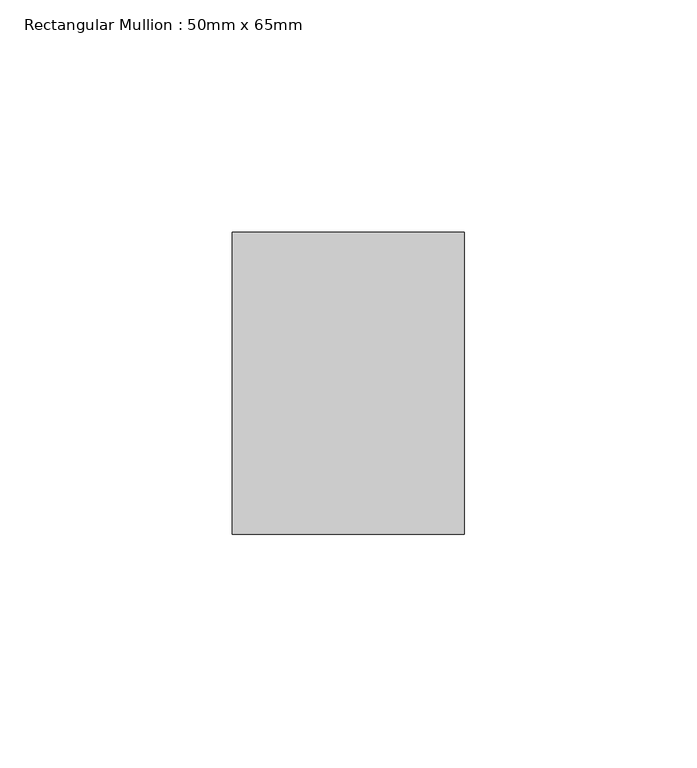
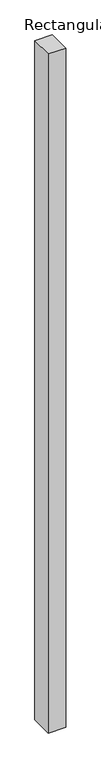
"""IFC4 building model written with IfcOpenShell, lengths in millimetres: member geometry, Rectangular Mullion : 50mm x 65mm."""

from ifc_helpers import new_model, si_unit, frame, origin, place, context, project, spatial, polyline, outline, extrude, source, transform, mapped, element, save


def rectangular_mullion_50mm_x_65mm_1f993fe9(model_context):
    return source(origin(), model_context, "Body", "SweptSolid", [
        extrude(outline(polyline([(25.0, 32.5), (25.0, -32.5), (-25.0, -32.5), (-25.0, 32.5), (25.0, 32.5)])), frame((0.0, 0.0, -2042.0389958), z_axis=(0.0, 0.0, 1.0), x_axis=(1.0, 0.0, 0.0)), (0.0, 0.0, 1.0), 2042.0389958),
    ])


if __name__ == "__main__":
    model = new_model("IFC4")
    model_context = context("Model", 3, world=origin())
    ifc_project = project(units=[si_unit("LENGTHUNIT", "METRE", prefix="MILLI")], contexts=[model_context])
    site = spatial("IfcSite", under=ifc_project)
    building = spatial("IfcBuilding", under=site)
    placement = place(None, origin())
    rectangular_mullion_50mm_x_65mm_shape = rectangular_mullion_50mm_x_65mm_1f993fe9(model_context)
    element("IfcMember", 1, ObjectType="Rectangular Mullion : 50mm x 65mm", at=placement, inside=building, context=model_context, shape_type="MappedRepresentation", body=[
        mapped(rectangular_mullion_50mm_x_65mm_shape, transform((0.0, 0.0, 0.0), x_axis=(1.0, 0.0, 0.0), y_axis=(0.0, 1.0, 0.0), z_axis=(0.0, 0.0, 1.0))),
    ])
    save(model, "model.ifc")
